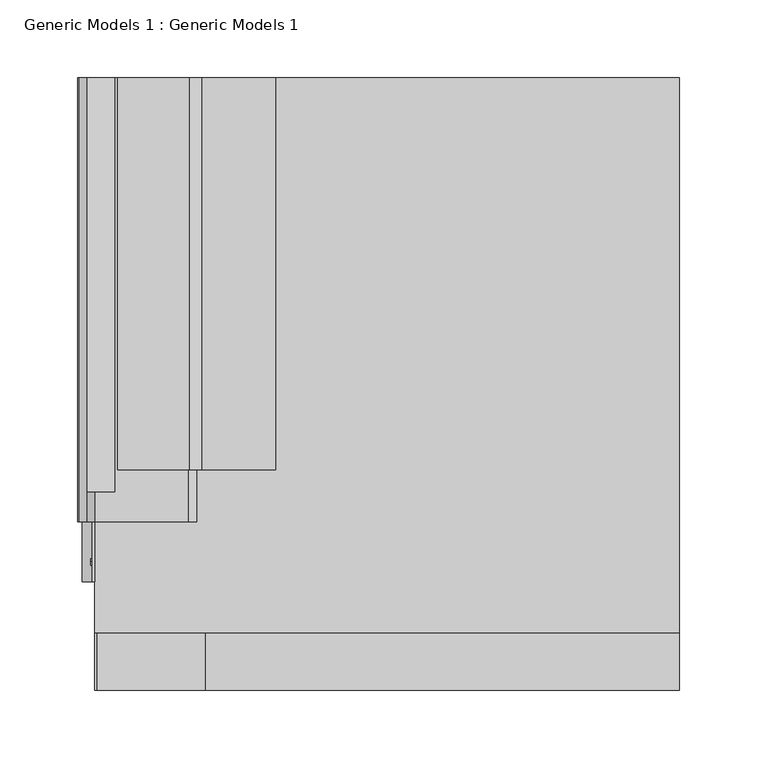
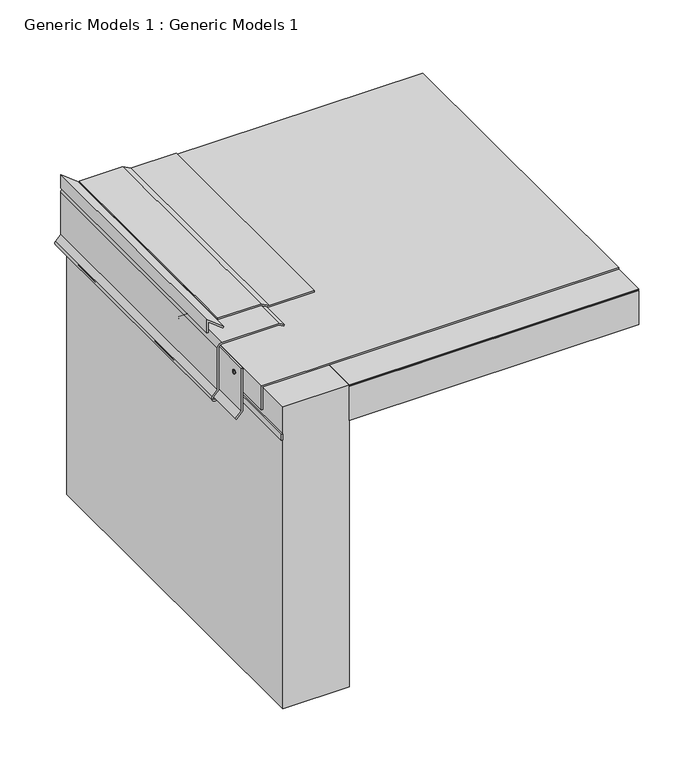
"""IFC4 building model written with IfcOpenShell, lengths in millimetres: proxy geometry, Generic Models 1 : Generic Models 1."""

from ifc_helpers import new_model, si_unit, point, frame, frame_2d, origin, place, context, project, spatial, polyline, circle_curve, trimmed, segment, composite_curve, outline, extrude, source, transform, mapped, element, save
from ifc_brep_helpers import plane_surface, cylinder_surface, revolved_surface, advanced_brep


def generic_models_1_generic_models_1_8a005fd7(model_context):
    return source(origin(), model_context, "Body", "SolidModel", [
        extrude(outline(polyline([(389.7584322, 6.35), (374.6962373, 6.35), (374.6962373, 7.9375), (386.5035748, 7.9375), (374.5738743, 23.2068204), (375.8248414, 24.1841829), (389.7584322, 6.35)])), frame((0.0, 127.5153227, 0.0), z_axis=(0.0, 1.0, 0.0), x_axis=(0.0, 0.0, 1.0)), (0.0, 0.0, 1.0), 266.3316162),
        extrude(outline(polyline([(375.8248414, 26.1367613), (374.2373414, 26.1367613), (374.2373414, 71.4375), (369.4748414, 79.686392), (369.4748414, 127.7367613), (371.0623414, 127.7367613), (371.0623414, 80.1117613), (375.8248414, 71.8628693), (375.8248414, 26.1367613)])), frame((0.0, 141.7149298, 0.0), z_axis=(0.0, 1.0, 0.0), x_axis=(0.0, 0.0, 1.0)), (0.0, 0.0, 1.0), 252.1320092),
        advanced_brep(
        [(8.7311033, 184.15, 356.0418629), (8.7311033, 184.15, 360.2472445), (8.7311033, 184.15, 358.1445537), (9.525, 184.15, 356.0418629), (9.525, 184.15, 360.2472445), (9.525, 184.15, 357.7060293), (9.525, 184.15, 358.5830781), (18.9629569, 184.15, 357.7060293), (18.9629569, 184.15, 358.5830781), (21.4499522, 184.15, 358.1445537)],
        [
            (0, 1, circle_curve(frame((8.7311033, 184.15, 358.1445537), z_axis=(-1.0, 0.0, 0.0), x_axis=(0.0, 0.0, 1.0)), 2.1026908)),
            (1, 2),
            (2, 0),
            (1, 0, circle_curve(frame((8.7311033, 184.15, 358.1445537), z_axis=(-1.0, 0.0, 0.0), x_axis=(0.0, 0.0, 1.0)), 2.1026908)),
            (3, 4, circle_curve(frame((9.525, 184.15, 358.1445537), z_axis=(-1.0, 0.0, 0.0), x_axis=(0.0, 0.0, 1.0)), 2.1026908)),
            (4, 1),
            (0, 3),
            (4, 3, circle_curve(frame((9.525, 184.15, 358.1445537), z_axis=(-1.0, 0.0, 0.0), x_axis=(0.0, 0.0, 1.0)), 2.1026908)),
            (5, 6, circle_curve(frame((9.525, 184.15, 358.1445537), z_axis=(-1.0, 0.0, 0.0), x_axis=(0.0, 0.0, 1.0)), 0.4385244)),
            (6, 4),
            (3, 5),
            (6, 5, circle_curve(frame((9.525, 184.15, 358.1445537), z_axis=(-1.0, 0.0, 0.0), x_axis=(0.0, 0.0, 1.0)), 0.4385244)),
            (7, 8, circle_curve(frame((18.9629569, 184.15, 358.1445537), z_axis=(-1.0, 0.0, 0.0), x_axis=(0.0, 0.0, 1.0)), 0.4385244)),
            (8, 6),
            (5, 7),
            (8, 7, circle_curve(frame((18.9629569, 184.15, 358.1445537), z_axis=(-1.0, 0.0, 0.0), x_axis=(0.0, 0.0, 1.0)), 0.4385244)),
            (9, 8),
            (7, 9),
        ],
        [
            plane_surface(frame((8.7311033, 184.15, 358.1445537), z_axis=(-1.0, 0.0, 0.0), x_axis=(0.0, 0.0, 1.0))),
            cylinder_surface(frame((8.7311033, 184.15, 358.1445537), z_axis=(1.0, 0.0, 0.0), x_axis=(0.0, 0.0, 1.0)), 2.1026908),
            plane_surface(frame((9.525, 184.15, 358.1445537), z_axis=(1.0, 0.0, 0.0), x_axis=(0.0, 0.0, 1.0))),
            cylinder_surface(frame((8.7311033, 184.15, 358.1445537), z_axis=(1.0, 0.0, 0.0), x_axis=(0.0, 0.0, 1.0)), 0.4385244),
            revolved_surface(polyline([(18.9629569, 184.15, 358.5830781), (21.4499522, 184.15, 358.1445537)]), (8.7311033, 184.15, 358.1445537), (1.0, 0.0, 0.0)),
        ],
        [
            (0, [[1, 2, 3]]),
            (0, [[4, -3, -2]]),
            (1, [[5, 6, -1, 7]]),
            (1, [[8, -7, -4, -6]]),
            (2, [[9, 10, -5, 11]]),
            (2, [[12, -11, -8, -10]]),
            (3, [[13, 14, -9, 15]]),
            (3, [[16, -15, -12, -14]]),
            (4, [[17, -13, 18]]),
            (4, [[-18, -16, -17]]),
        ],
    ),
        advanced_brep(
        [(8.7311033, 82.55, 356.0418629), (8.7311033, 82.55, 360.2472445), (8.7311033, 82.55, 358.1445537), (9.525, 82.55, 356.0418629), (9.525, 82.55, 360.2472445), (9.525, 82.55, 357.7060293), (9.525, 82.55, 358.5830781), (18.9629569, 82.55, 357.7060293), (18.9629569, 82.55, 358.5830781), (21.4499522, 82.55, 358.1445537)],
        [
            (0, 1, circle_curve(frame((8.7311033, 82.55, 358.1445537), z_axis=(-1.0, 0.0, 0.0), x_axis=(0.0, 0.0, 1.0)), 2.1026908)),
            (1, 2),
            (2, 0),
            (1, 0, circle_curve(frame((8.7311033, 82.55, 358.1445537), z_axis=(-1.0, 0.0, 0.0), x_axis=(0.0, 0.0, 1.0)), 2.1026908)),
            (3, 4, circle_curve(frame((9.525, 82.55, 358.1445537), z_axis=(-1.0, 0.0, 0.0), x_axis=(0.0, 0.0, 1.0)), 2.1026908)),
            (4, 1),
            (0, 3),
            (4, 3, circle_curve(frame((9.525, 82.55, 358.1445537), z_axis=(-1.0, 0.0, 0.0), x_axis=(0.0, 0.0, 1.0)), 2.1026908)),
            (5, 6, circle_curve(frame((9.525, 82.55, 358.1445537), z_axis=(-1.0, 0.0, 0.0), x_axis=(0.0, 0.0, 1.0)), 0.4385244)),
            (6, 4),
            (3, 5),
            (6, 5, circle_curve(frame((9.525, 82.55, 358.1445537), z_axis=(-1.0, 0.0, 0.0), x_axis=(0.0, 0.0, 1.0)), 0.4385244)),
            (7, 8, circle_curve(frame((18.9629569, 82.55, 358.1445537), z_axis=(-1.0, 0.0, 0.0), x_axis=(0.0, 0.0, 1.0)), 0.4385244)),
            (8, 6),
            (5, 7),
            (8, 7, circle_curve(frame((18.9629569, 82.55, 358.1445537), z_axis=(-1.0, 0.0, 0.0), x_axis=(0.0, 0.0, 1.0)), 0.4385244)),
            (9, 8),
            (7, 9),
        ],
        [
            plane_surface(frame((8.7311033, 82.55, 358.1445537), z_axis=(-1.0, 0.0, 0.0), x_axis=(0.0, 0.0, 1.0))),
            cylinder_surface(frame((8.7311033, 82.55, 358.1445537), z_axis=(1.0, 0.0, 0.0), x_axis=(0.0, 0.0, 1.0)), 2.1026908),
            plane_surface(frame((9.525, 82.55, 358.1445537), z_axis=(1.0, 0.0, 0.0), x_axis=(0.0, 0.0, 1.0))),
            cylinder_surface(frame((8.7311033, 82.55, 358.1445537), z_axis=(1.0, 0.0, 0.0), x_axis=(0.0, 0.0, 1.0)), 0.4385244),
            revolved_surface(polyline([(18.9629569, 82.55, 358.5830781), (21.4499522, 82.55, 358.1445537)]), (8.7311033, 82.55, 358.1445537), (1.0, 0.0, 0.0)),
        ],
        [
            (0, [[1, 2, 3]]),
            (0, [[4, -3, -2]]),
            (1, [[5, 6, -1, 7]]),
            (1, [[8, -7, -4, -6]]),
            (2, [[9, 10, -5, 11]]),
            (2, [[12, -11, -8, -10]]),
            (3, [[13, 14, -9, 15]]),
            (3, [[16, -15, -12, -14]]),
            (4, [[17, -13, 18]]),
            (4, [[-18, -16, -17]]),
        ],
    ),
        extrude(outline(polyline([(322.2596126, 9.525), (315.74996, 3.0153475), (314.627428, 4.1378795), (321.6020485, 11.1125), (369.4748414, 11.1125), (369.4748414, 9.525), (322.2596126, 9.525)])), frame((0.0, 69.8317219, 0.0), z_axis=(0.0, 1.0, 0.0), x_axis=(0.0, 0.0, 1.0)), (0.0, 0.0, 1.0), 324.015217),
        extrude(outline(composite_curve([segment(trimmed(circle_curve(frame_2d((315.6098001, 3.4364536)), 3.175), [point((317.8548642, 1.1913896))], [point((313.3647361, 1.1913896))], False, "CARTESIAN"), True, "CONTINUOUS"), segment(polyline([(313.3647361, 1.1913896), (312.8034701, 1.7526556)]), True, "CONTINUOUS"), segment(trimmed(circle_curve(frame_2d((315.0485341, 3.9977196)), 3.175), [point((312.8034701, 1.7526556))], [point((312.8034701, 6.2427836))], False, "CARTESIAN"), True, "CONTINUOUS"), segment(polyline([(312.8034701, 6.2427836), (318.0903749, 11.5296884), (319.2129069, 10.4071564), (313.9260021, 5.1202516)]), True, "CONTINUOUS"), segment(trimmed(circle_curve(frame_2d((315.0485341, 3.9977196)), 1.5875), [point((313.9260021, 5.1202516))], [point((313.9260021, 2.8751876))], True, "CARTESIAN"), True, "CONTINUOUS"), segment(polyline([(313.9260021, 2.8751876), (314.4872681, 2.3139216)]), True, "CONTINUOUS"), segment(trimmed(circle_curve(frame_2d((315.6098001, 3.4364536)), 1.5875), [point((314.4872681, 2.3139216))], [point((316.7323322, 2.3139216))], True, "CARTESIAN"), True, "CONTINUOUS"), segment(polyline([(316.7323322, 2.3139216), (322.3559106, 7.9375), (369.4748414, 7.9375)]), True, "CONTINUOUS"), segment(trimmed(circle_curve(frame_2d((369.4748414, 11.1125)), 3.175), [point((369.4748414, 7.9375))], [point((372.6498414, 11.1125))], True, "CARTESIAN"), True, "CONTINUOUS"), segment(polyline([(372.6498414, 11.1125), (372.6498414, 71.0121307), (369.687526, 76.1430113), (371.0623414, 76.9367613), (374.2373414, 71.4375), (374.2373414, 11.1125)]), True, "CONTINUOUS"), segment(trimmed(circle_curve(frame_2d((369.4748414, 11.1125)), 4.7625), [point((374.2373414, 11.1125))], [point((369.4748414, 6.35))], False, "CARTESIAN"), True, "CONTINUOUS"), segment(polyline([(369.4748414, 6.35), (323.0134746, 6.35), (317.8548642, 1.1913896)]), True, "CONTINUOUS")], self_intersect=False)), frame((0.0, 108.3097159, 0.0), z_axis=(0.0, 1.0, 0.0), x_axis=(0.0, 0.0, 1.0)), (0.0, 0.0, 1.0), 285.537223),
        extrude(outline(polyline([(11.1125, 393.8469389), (12.7, 393.8469389), (12.7, 0.0), (11.1125, 0.0), (11.1125, 393.8469389)])), frame((0.0, 0.0, 331.1469794), z_axis=(0.0, 0.0, 1.0), x_axis=(1.0, 0.0, 0.0)), (0.0, 0.0, 1.0), 6.35),
        extrude(outline(polyline([(342.4873414, 12.7), (367.8873414, 12.7), (367.8873414, 387.35), (369.4748414, 387.35), (369.4748414, 11.1125), (342.4873414, 11.1125), (342.4873414, 12.7)])), frame((0.0, 36.8086335, 0.0), z_axis=(0.0, 1.0, 0.0), x_axis=(0.0, 0.0, 1.0)), (0.0, 0.0, 1.0), 357.0383054),
        extrude(outline(polyline([(82.55, 393.8469389), (387.35, 393.8469389), (387.35, 0.0), (82.55, 0.0), (82.55, 393.8469389)])), frame((0.0, 0.0, 367.0935914), z_axis=(0.0, 0.0, 1.0), x_axis=(1.0, 0.0, 0.0)), (0.0, 0.0, 1.0), 0.79375),
        extrude(outline(polyline([(82.55, 261.3017557), (387.35, 261.3017557), (387.35, 0.0), (82.55, 0.0), (82.55, 261.3017557)])), frame((0.0, 0.0, 328.1998414), z_axis=(0.0, 0.0, 1.0), x_axis=(1.0, 0.0, 0.0)), (0.0, 0.0, 1.0), 38.1),
        extrude(outline(polyline([(82.55, 0.0), (12.7, 0.0), (12.7, 393.8469389), (82.55, 393.8469389), (82.55, 0.0)])), frame((0.0, 0.0, 31.75), z_axis=(0.0, 0.0, 1.0), x_axis=(1.0, 0.0, 0.0)), (0.0, 0.0, 1.0), 336.1373414),
    ])


if __name__ == "__main__":
    model = new_model("IFC4")
    model_context = context("Model", 3, world=origin())
    ifc_project = project(units=[si_unit("LENGTHUNIT", "METRE", prefix="MILLI")], contexts=[model_context])
    site = spatial("IfcSite", under=ifc_project)
    building = spatial("IfcBuilding", under=site)
    placement = place(None, origin())
    generic_models_1_generic_models_1_shape = generic_models_1_generic_models_1_8a005fd7(model_context)
    element("IfcBuildingElementProxy", 1, Name="Generic Models 1 : Generic Models 1", ObjectType="Generic Models 1 : Generic Models 1", at=placement, inside=building, context=model_context, shape_type="MappedRepresentation", body=[
        mapped(generic_models_1_generic_models_1_shape, transform((0.0, 0.0, 0.0), x_axis=(1.0, 0.0, 0.0), y_axis=(0.0, 1.0, 0.0), z_axis=(0.0, 0.0, 1.0))),
    ])
    save(model, "model.ifc")
